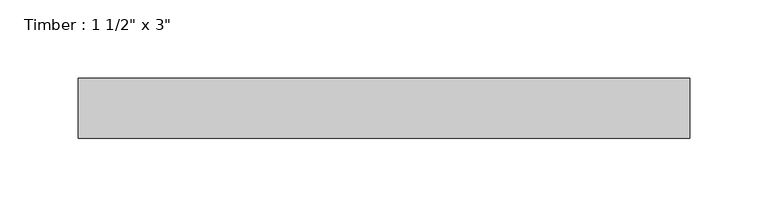
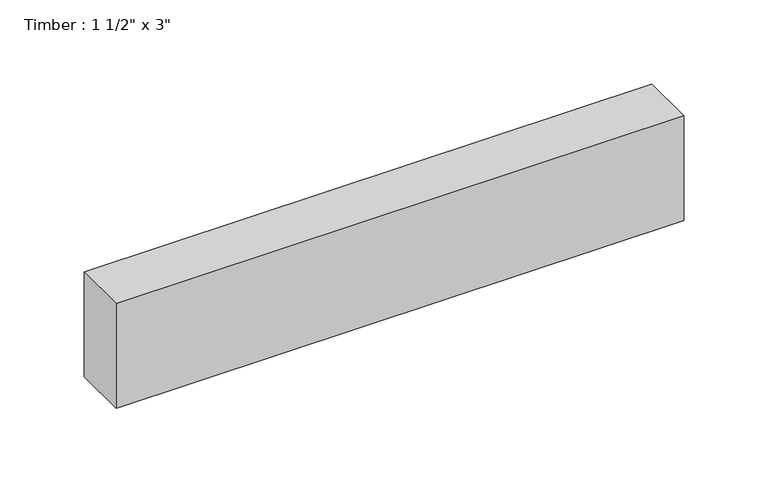
"""IFC4 building model written with IfcOpenShell, lengths in millimetres: beam geometry."""

import ifcopenshell
import ifcopenshell.guid

model = None  # the IFC model being written
_history = None  # IfcOwnerHistory: only IFC2X3 demands one
_inside = {}  # id of a spatial element -> (the spatial element, [elements in it])
_under = {}  # id of a project, library or spatial element -> (it, [spatial elements below it])
_declared = {}  # id of a project -> (the project, [libraries it declares])
_typed = {}  # id of a type object -> (the type object, [elements of that type])
_made_of = {}  # id of a material, layer set ... -> (it, [elements and type objects made of it])


def new_model(schema):
    """Start an empty IFC model of exactly this schema.

    Asked for "IFC4X3", IfcOpenShell would pick the latest addendum, in which some entities
    have other attributes; the version numbers below select the first issue.
    IFC2X3 requires an IfcOwnerHistory on every rooted entity: one is made here for all.
    """
    global model, _history
    if schema == "IFC4X3":
        model = ifcopenshell.file(schema_version=(4, 3, 0, 0))
    else:
        model = ifcopenshell.file(schema=schema)
    _inside.clear()
    _under.clear()
    _declared.clear()
    _typed.clear()
    _made_of.clear()
    _history = None
    if model.schema == "IFC2X3":
        org = make("IfcOrganization", Name="unknown")
        user = make(
            "IfcPersonAndOrganization",
            ThePerson=make("IfcPerson", FamilyName="unknown"),
            TheOrganization=org,
        )
        app = make(
            "IfcApplication",
            ApplicationDeveloper=org,
            Version="unknown",
            ApplicationFullName="unknown",
            ApplicationIdentifier="unknown",
        )
        _history = make(
            "IfcOwnerHistory",
            OwningUser=user,
            OwningApplication=app,
            ChangeAction="ADDED",
            CreationDate=0,
        )
    return model


def make(cls, **values):
    """One entity of the class cls with the attributes given. An attribute that is None is left unset."""
    return model.create_entity(
        cls, **{name: value for name, value in values.items() if value is not None}
    )


def rooted(cls, **values):
    """An entity with a GlobalId (a new one), such as an element, a storey or a relation."""
    return make(cls, GlobalId=ifcopenshell.guid.new(), OwnerHistory=_history, **values)


def si_unit(unit_type, name, prefix=None):
    """IfcSIUnit, for example si_unit("LENGTHUNIT", "METRE", prefix="MILLI")."""
    return make("IfcSIUnit", UnitType=unit_type, Prefix=prefix, Name=name)


def assignment(units):
    """IfcUnitAssignment: the units of a project."""
    return None if units is None else make("IfcUnitAssignment", Units=units)


def point(xyz):
    """IfcCartesianPoint."""
    return None if xyz is None else make("IfcCartesianPoint", Coordinates=xyz)


def direction(xyz):
    """IfcDirection."""
    return None if xyz is None else make("IfcDirection", DirectionRatios=xyz)


def frame(location, z_axis=None, x_axis=None):
    """IfcAxis2Placement3D, a coordinate frame: its origin and axes. An axis left out is left unset."""
    return make(
        "IfcAxis2Placement3D",
        Location=point(location),
        Axis=direction(z_axis),
        RefDirection=direction(x_axis),
    )


def origin():
    """The frame at (0, 0, 0) with its axes left unset."""
    return frame((0.0, 0.0, 0.0))


def place(relative_to, where):
    """IfcLocalPlacement: puts the frame where relative to a parent placement (None: the world)."""
    return make(
        "IfcLocalPlacement", PlacementRelTo=relative_to, RelativePlacement=where
    )


def context(
    kind, dimensions, precision=None, world=None, true_north=None, identifier=None
):
    """IfcGeometricRepresentationContext, for example the 3D "Model" context."""
    return make(
        "IfcGeometricRepresentationContext",
        ContextIdentifier=identifier,
        ContextType=kind,
        CoordinateSpaceDimension=dimensions,
        Precision=precision,
        WorldCoordinateSystem=world,
        TrueNorth=true_north,
    )


def project(units=None, contexts=None):
    """IfcProject with its units and contexts."""
    return rooted(
        "IfcProject",
        Name="project",
        RepresentationContexts=contexts,
        UnitsInContext=assignment(units),
    )


def spatial(cls, under=None, at=None, **own):
    """A site, building, storey or space (cls), placed at a placement, below another one or the project."""
    s = rooted(cls, ObjectPlacement=at, **own)
    if under is not None:
        _under.setdefault(under.id(), (under, []))[1].append(s)
    return s


def polyline(points):
    """IfcPolyline through the points."""
    return make("IfcPolyline", Points=[point(p) for p in points])


def outline(outer, holes=None, kind="AREA"):
    """IfcArbitraryClosedProfileDef: a profile drawn as a closed curve; with holes, ...WithVoids."""
    if holes is None:
        return make("IfcArbitraryClosedProfileDef", ProfileType=kind, OuterCurve=outer)
    return make(
        "IfcArbitraryProfileDefWithVoids",
        ProfileType=kind,
        OuterCurve=outer,
        InnerCurves=holes,
    )


def extrude(swept, where, along, depth):
    """IfcExtrudedAreaSolid: the profile swept, set in the frame where, extruded along a direction by depth."""
    return make(
        "IfcExtrudedAreaSolid",
        SweptArea=swept,
        Position=where,
        ExtrudedDirection=direction(along),
        Depth=depth,
    )


def shape(context_of_items, identifier, shape_type, items):
    """IfcShapeRepresentation: the items that make up one representation, for example the "Body"."""
    return make(
        "IfcShapeRepresentation",
        ContextOfItems=context_of_items,
        RepresentationIdentifier=identifier,
        RepresentationType=shape_type,
        Items=items,
    )


def source(mapping_origin, context_of_items, identifier, shape_type, items):
    """IfcRepresentationMap: a shape defined once, which mapped items show again and again."""
    return make(
        "IfcRepresentationMap",
        MappingOrigin=mapping_origin,
        MappedRepresentation=shape(context_of_items, identifier, shape_type, items),
    )


def transform(
    local_origin,
    x_axis=None,
    y_axis=None,
    z_axis=None,
    scale=None,
    scale2=None,
    scale3=None,
    uniform=True,
):
    """IfcCartesianTransformationOperator3D, or its non-uniform kind. x_axis, y_axis, z_axis: its Axis1, 2, 3."""
    if uniform:
        return make(
            "IfcCartesianTransformationOperator3D",
            Axis1=direction(x_axis),
            Axis2=direction(y_axis),
            LocalOrigin=point(local_origin),
            Scale=scale,
            Axis3=direction(z_axis),
        )
    return make(
        "IfcCartesianTransformationOperator3DnonUniform",
        Axis1=direction(x_axis),
        Axis2=direction(y_axis),
        LocalOrigin=point(local_origin),
        Scale=scale,
        Axis3=direction(z_axis),
        Scale2=scale2,
        Scale3=scale3,
    )


def mapped(mapping_source, mapping_target):
    """IfcMappedItem: shows the shape of a source again, moved by a transform."""
    return make(
        "IfcMappedItem", MappingSource=mapping_source, MappingTarget=mapping_target
    )


def made_of(thing, what):
    """Note that an element or type object is made of a material, layer set ...; save() writes the relation."""
    if what is not None:
        _made_of.setdefault(what.id(), (what, []))[1].append(thing)
    return thing


def element(
    cls,
    number,
    at=None,
    inside=None,
    cuts=None,
    type_object=None,
    material=None,
    context=None,
    identifier="Body",
    shape_type=None,
    held_by="IfcProductDefinitionShape",
    body=None,
    shapes=None,
    **own,
):
    """One element of the class cls, such as IfcWall. Its Tag is "e" and its number.

    at: its placement. inside: the storey or other place that contains it. cuts: it is an
    opening in that element (IfcRelVoidsElement). A single representation is given by context,
    identifier, shape_type and body (its items); several are given by shapes. held_by: the class
    of the entity that holds the representations. save() writes the other relations.
    """
    e = rooted(cls, Tag="e%d" % number, ObjectPlacement=at, **own)
    if body is not None:
        shapes = [shape(context, identifier, shape_type, body)]
    if shapes is not None:
        e.Representation = make(held_by, Representations=shapes)
    if inside is not None:
        _inside.setdefault(inside.id(), (inside, []))[1].append(e)
    if cuts is not None:
        rooted(
            "IfcRelVoidsElement", RelatingBuildingElement=cuts, RelatedOpeningElement=e
        )
    if type_object is not None:
        _typed.setdefault(type_object.id(), (type_object, []))[1].append(e)
    return made_of(e, material)


def aggregate(whole, parts):
    """IfcRelAggregates: a whole, such as a stair, and the parts it consists of."""
    return rooted("IfcRelAggregates", RelatingObject=whole, RelatedObjects=parts)


def save(model, path):
    """Write the relations noted so far, then the file.

    IfcRelAggregates (storeys below a building ...), IfcRelContainedInSpatialStructure (elements
    in a storey), IfcRelDefinesByType, IfcRelAssociatesMaterial and IfcRelDeclares: one each for
    every whole, place, type object, material and project.
    """
    for whole, parts in _under.values():
        aggregate(whole, parts)
    for where, things in _inside.values():
        rooted(
            "IfcRelContainedInSpatialStructure",
            RelatedElements=things,
            RelatingStructure=where,
        )
    for kind, things in _typed.values():
        rooted("IfcRelDefinesByType", RelatedObjects=things, RelatingType=kind)
    for what, things in _made_of.values():
        rooted("IfcRelAssociatesMaterial", RelatedObjects=things, RelatingMaterial=what)
    for by, libraries in _declared.values():
        rooted("IfcRelDeclares", RelatingContext=by, RelatedDefinitions=libraries)
    model.write(path)


def beam_d30e48a9(model_context):
    return source(origin(), model_context, "Body", "SweptSolid", [
        extrude(outline(polyline([(194.8130076, 19.05), (194.8130076, -19.05), (-194.8130076, -19.05), (-194.8130076, 19.05), (194.8130076, 19.05)])), frame((0.0, 0.0, -38.1), z_axis=(0.0, 0.0, 1.0), x_axis=(1.0, 0.0, 0.0)), (0.0, 0.0, 1.0), 76.2),
    ])


if __name__ == "__main__":
    model = new_model("IFC4")
    model_context = context("Model", 3, world=origin())
    ifc_project = project(units=[si_unit("LENGTHUNIT", "METRE", prefix="MILLI")], contexts=[model_context])
    site = spatial("IfcSite", under=ifc_project)
    building = spatial("IfcBuilding", under=site)
    placement = place(None, origin())
    beam_shape = beam_d30e48a9(model_context)
    element("IfcBeam", 1, ObjectType="Timber : 1 1/2\" x 3\"", at=placement, inside=building, context=model_context, shape_type="MappedRepresentation", body=[
        mapped(beam_shape, transform((0.0, 0.0, 0.0), x_axis=(1.0, 0.0, 0.0), y_axis=(0.0, 1.0, 0.0), z_axis=(0.0, 0.0, 1.0))),
    ])
    save(model, "model.ifc")
